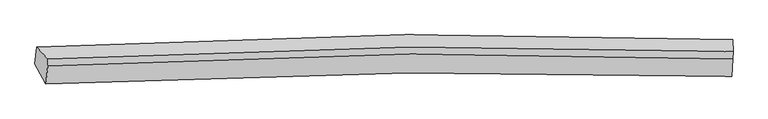
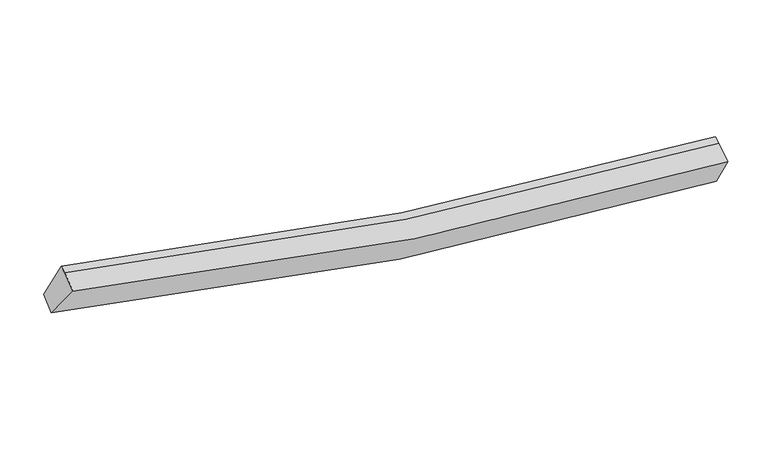
"""IFC4 building model written with IfcOpenShell, lengths in millimetres: proxy geometry."""

from ifc_helpers import new_model, si_unit, frame, origin, place, context, project, spatial, source, transform, mapped, element, save
from ifc_brep_helpers import plane_surface, spline_curve, spline_surface, advanced_brep


def generic_models_12f06aff(model_context):
    return source(origin(), model_context, "Body", "AdvancedBrep", [
        advanced_brep(
        [(-6443.5238636, -2574.8234995, 4412.9677071), (-6661.5033349, -2177.2259115, 3788.4477871), (7098.014412, -2026.7405777, 1739.3589088), (7102.8766575, -2427.4288397, 2398.9415781), (-6408.9017998, -2220.8112303, 4597.4278209), (7119.1822762, -2073.6821997, 2586.4151739), (-6403.0882476, -2078.7690697, 4645.2841395), (7124.9958283, -1931.6400391, 2634.2714925), (-6623.7108497, -1845.1526008, 3978.6890504), (7113.7891688, -1694.9865731, 1933.2226013)],
        [
            (0, 1),
            (1, 2, spline_curve(3, [(-6661.5033349, -2177.2259115, 3788.4477871), (-4254.613859803, -2045.251372738, 3117.26145727), (-1827.171345136, -1969.383055575, 2609.765916905), (2764.132404617, -1932.318530261, 1964.947735777), (4923.195805764, -1958.025070521, 1789.413649772), (7098.014412, -2026.7405777, 1739.3589088)], [4, 2, 4], [0.0, 24.199012413204542, 45.386118564274376])),
            (2, 3),
            (3, 0, spline_curve(3, [(7102.8766575, -2427.4288397, 2398.9415781), (4952.945962921, -2359.862487259, 2449.38375497), (2822.633159955, -2334.544147895, 2622.577456082), (-1698.80779498, -2370.81017707, 3256.538740581), (-4083.961832887, -2445.260068865, 3754.687083255), (-6443.5238636, -2574.8234995, 4412.9677071)], [4, 2, 4], [0.0, 21.187106151069834, 45.386118564274376])),
            (4, 0),
            (3, 5),
            (5, 4, spline_curve(3, [(7119.1822762, -2073.6821997, 2586.4151739), (4971.875183987, -1994.37438126, 2640.879815702), (2844.291743189, -1962.776421407, 2815.999318552), (-1671.075936505, -1997.290645556, 3449.594593655), (-4052.853854259, -2077.931615349, 3944.81263983), (-6408.9017998, -2220.8112303, 4597.4278209)], [4, 2, 4], [0.0, 21.00706110422888, 45.0004337149812])),
            (6, 4),
            (5, 7),
            (7, 6, spline_curve(3, [(7124.9958283, -1931.6400391, 2634.2714925), (4977.688736138, -1852.332220889, 2688.73613407), (2850.105295111, -1820.734261228, 2863.855637544), (-1665.262384201, -1855.248484475, 3497.450911807), (-4047.040301903, -1935.889455063, 3992.668958484), (-6403.0882476, -2078.7690697, 4645.2841395)], [4, 2, 4], [0.0, 20.992877819066795, 44.970050884149686])),
            (8, 6),
            (7, 9),
            (9, 8, spline_curve(3, [(7113.7891688, -1694.9865731, 1933.2226013), (4941.62104841, -1613.54505662, 1984.374322658), (2785.570203698, -1581.030057631, 2160.230164087), (-1798.504563013, -1616.186111962, 2804.076943812), (-4221.620390977, -1698.756454472, 3310.043252067), (-6623.7108497, -1845.1526008, 3978.6890504)], [4, 2, 4], [0.0, 21.15631494881473, 45.32015895911064])),
            (1, 8),
            (9, 2),
        ],
        [
            spline_surface(3, 3, [[(-6443.5238636, -2574.8234995, 4412.9677071), (-4083.961832635, -2445.260069186, 3754.687083244), (-1698.807795009, -2370.810176781, 3256.538740948), (2822.63315998, -2334.544148147, 2622.577455761), (4952.945962705, -2359.862487293, 2449.383755072), (7102.8766575, -2427.4288397, 2398.9415781)], [(-6516.183687357, -2442.290970156, 4204.794400441), (-4140.845841651, -2311.923837148, 3542.21187468), (-1741.595645102, -2237.001136253, 3040.947799741), (2803.132908259, -2200.468942268, 2403.367549004), (4943.029243811, -2225.916681689, 2229.393719921), (7101.255908993, -2293.86608571, 2179.080688332)], [(-6588.843511143, -2309.758440844, 3996.621093759), (-4197.729850695, -2178.587605144, 3329.736666093), (-1784.38349523, -2103.192095769, 2825.356858489), (2783.632656502, -2066.393736433, 2184.157642202), (4933.112524936, -2091.970876056, 2009.403684774), (7099.635160507, -2160.30333169, 1959.219798568)], [(-6661.5033349, -2177.2259115, 3788.4477871), (-4254.613859711, -2045.251373106, 3117.261457528), (-1827.171345323, -1969.383055241, 2609.765917283), (2764.13240478, -1932.318530554, 1964.947735446), (4923.195806042, -1958.025070451, 1789.413649623), (7098.014412, -2026.7405777, 1739.3589088)]], [4, 4], [4, 2, 4], [0.0, 2.5315986680998646], [0.0, 24.199012413204542, 45.386118564274376]),
            spline_surface(3, 3, [[(-6408.9017998, -2220.8112303, 4597.4278209), (-4052.853854088, -2077.931615588, 3944.812639632), (-1671.07593637, -1997.290645423, 3449.594593521), (2844.291743071, -1962.776421523, 2815.999318669), (4971.875184043, -1994.374381492, 2640.879815791), (7119.1822762, -2073.6821997, 2586.4151739)], [(-6420.442487745, -2338.815320047, 4535.941116298), (-4063.223180283, -2200.374433467, 3881.437454167), (-1680.319889249, -2121.797155892, 3385.242642671), (2837.072215375, -2086.698997082, 2751.525364374), (4965.565443605, -2116.203750103, 2577.047795547), (7113.747069974, -2191.597746378, 2523.923975296)], [(-6431.983175655, -2456.819409753, 4474.454411702), (-4073.592506441, -2322.817251307, 3818.062268709), (-1689.56384213, -2246.303666312, 3320.890691798), (2829.852687677, -2210.621572589, 2687.051410056), (4959.255703143, -2238.033118681, 2513.215775315), (7108.311863726, -2309.513293022, 2461.432776704)], [(-6443.5238636, -2574.8234995, 4412.9677071), (-4083.961832635, -2445.260069186, 3754.687083244), (-1698.807795009, -2370.810176781, 3256.538740948), (2822.63315998, -2334.544148147, 2622.577455761), (4952.945962705, -2359.862487293, 2449.383755072), (7102.8766575, -2427.4288397, 2398.9415781)]], [4, 4], [4, 2, 4], [0.0, 1.379661691885508], [0.0, 23.993372610752317, 45.0004337149812]),
            spline_surface(3, 3, [[(-6403.0882476, -2078.7690697, 4645.2841395), (-4047.040301888, -1935.889454988, 3992.668958232), (-1665.26238427, -1855.248484823, 3497.450912121), (2850.105295171, -1820.734260923, 2863.855637269), (4977.688736143, -1852.332220892, 2688.736134391), (7124.9958283, -1931.6400391, 2634.2714925)], [(-6405.026098308, -2126.116456555, 4629.332033288), (-4048.978152596, -1983.236841843, 3976.716852019), (-1667.200234978, -1902.595871678, 3481.498805909), (2848.167444463, -1868.081647779, 2847.903531056), (4975.750885436, -1899.679607747, 2672.784028178), (7123.057977592, -1978.987425955, 2618.319386288)], [(-6406.963949092, -2173.463843445, 4613.379927112), (-4050.91600338, -2030.584228732, 3960.764745844), (-1669.138085662, -1949.943258568, 3465.546699734), (2846.229593779, -1915.429034668, 2831.951424881), (4973.813034751, -1947.026994636, 2656.831922003), (7121.120126908, -2026.334812845, 2602.367280112)], [(-6408.9017998, -2220.8112303, 4597.4278209), (-4052.853854088, -2077.931615588, 3944.812639632), (-1671.07593637, -1997.290645423, 3449.594593521), (2844.291743071, -1962.776421523, 2815.999318669), (4971.875184043, -1994.374381492, 2640.879815791), (7119.1822762, -2073.6821997, 2586.4151739)]], [4, 4], [4, 2, 4], [0.0, 0.49212598425197207], [0.0, 23.97717306508289, 44.970050884149686]),
            spline_surface(3, 3, [[(-6623.7108497, -1845.1526008, 3978.6890504), (-4221.620390998, -1698.756454309, 3310.043252016), (-1798.504562926, -1616.186112231, 2804.076943826), (2785.570203622, -1581.030057396, 2160.230164075), (4941.621048352, -1613.545056909, 1984.374322511), (7113.7891688, -1694.9865731, 1933.2226013)], [(-6550.169982338, -1923.0247571, 4200.887413457), (-4163.427027966, -1777.800787869, 3537.585154112), (-1754.090503369, -1695.873569755, 3035.201599908), (2807.08190081, -1660.931458565, 2394.771988457), (4953.64361095, -1693.140778235, 2219.161593128), (7117.524721968, -1773.871061766, 2166.905565024)], [(-6476.629114962, -2000.8969134, 4423.085776443), (-4105.23366492, -1856.845121428, 3765.127056136), (-1709.676443827, -1775.561027299, 3266.326256039), (2828.593597983, -1740.832859754, 2629.313812887), (4965.666173545, -1772.736499565, 2453.948863773), (7121.260275132, -1852.755550434, 2400.588528776)], [(-6403.0882476, -2078.7690697, 4645.2841395), (-4047.040301888, -1935.889454988, 3992.668958232), (-1665.26238427, -1855.248484823, 3497.450912121), (2850.105295171, -1820.734260923, 2863.855637269), (4977.688736143, -1852.332220892, 2688.736134391), (7124.9958283, -1931.6400391, 2634.2714925)]], [4, 4], [4, 2, 4], [0.0, 2.44384973340821], [0.0, 24.16384401029591, 45.32015895911064]),
            spline_surface(3, 3, [[(-6661.5033349, -2177.2259115, 3788.4477871), (-4254.613859711, -2045.251373106, 3117.261457528), (-1827.171345323, -1969.383055241, 2609.765917283), (2764.13240478, -1932.318530554, 1964.947735446), (4923.195806042, -1958.025070451, 1789.413649623), (7098.014412, -2026.7405777, 1739.3589088)], [(-6648.905839851, -2066.534807942, 3851.861541517), (-4243.616036825, -1929.753066849, 3181.522055674), (-1817.6157512, -1851.65074092, 2674.53625947), (2771.278337717, -1815.22237285, 2030.041878328), (4929.337553484, -1843.198399262, 1854.400540612), (7103.272664272, -1916.155909491, 1803.98013966)], [(-6636.308344749, -1955.843704358, 3915.275295983), (-4232.618213884, -1814.254760566, 3245.78265387), (-1808.060157048, -1733.918426552, 2739.306601639), (2778.424270684, -1698.1262151, 2095.136021193), (4935.479300909, -1728.371728098, 1919.387431522), (7108.530916528, -1805.571241309, 1868.60137044)], [(-6623.7108497, -1845.1526008, 3978.6890504), (-4221.620390998, -1698.756454309, 3310.043252016), (-1798.504562926, -1616.186112231, 2804.076943826), (2785.570203622, -1581.030057396, 2160.230164075), (4941.621048352, -1613.545056909, 1984.374322511), (7113.7891688, -1694.9865731, 1933.2226013)]], [4, 4], [4, 2, 4], [0.0, 1.3232372324758102], [0.0, 24.36943414600838, 45.705750656646195]),
            plane_surface(frame((7111.7716686, -2030.8956458, 2258.4419509), z_axis=(0.9991338994573802, -0.03188535857704877, -0.026735273768989872), x_axis=(-0.038757014157960894, -0.9469477371046863, -0.3190421242498765))),
            plane_surface(frame((-6508.1456191, -2179.3564623, 4284.563301), z_axis=(-0.953735413180735, -0.06020630853815219, 0.2945572305294544), x_axis=(0.2824421392664704, -0.5151783912314993, 0.8092080469043199))),
        ],
        [
            (0, [[1, 2, 3, 4]]),
            (1, [[5, -4, 6, 7]]),
            (2, [[8, -7, 9, 10]]),
            (3, [[11, -10, 12, 13]]),
            (4, [[14, -13, 15, -2]]),
            (5, [[-9, -6, -3, -15, -12]]),
            (6, [[-1, -5, -8, -11, -14]]),
        ],
    ),
    ])


if __name__ == "__main__":
    model = new_model("IFC4")
    model_context = context("Model", 3, world=origin())
    ifc_project = project(units=[si_unit("LENGTHUNIT", "METRE", prefix="MILLI")], contexts=[model_context])
    site = spatial("IfcSite", under=ifc_project)
    building = spatial("IfcBuilding", under=site)
    placement = place(None, origin())
    generic_models_shape = generic_models_12f06aff(model_context)
    element("IfcBuildingElementProxy", 1, Name="Generic Models", at=placement, inside=building, context=model_context, shape_type="MappedRepresentation", body=[
        mapped(generic_models_shape, transform((0.0, 0.0, 0.0), x_axis=(1.0, 0.0, 0.0), y_axis=(0.0, 1.0, 0.0), z_axis=(0.0, 0.0, 1.0))),
    ])
    save(model, "model.ifc")
